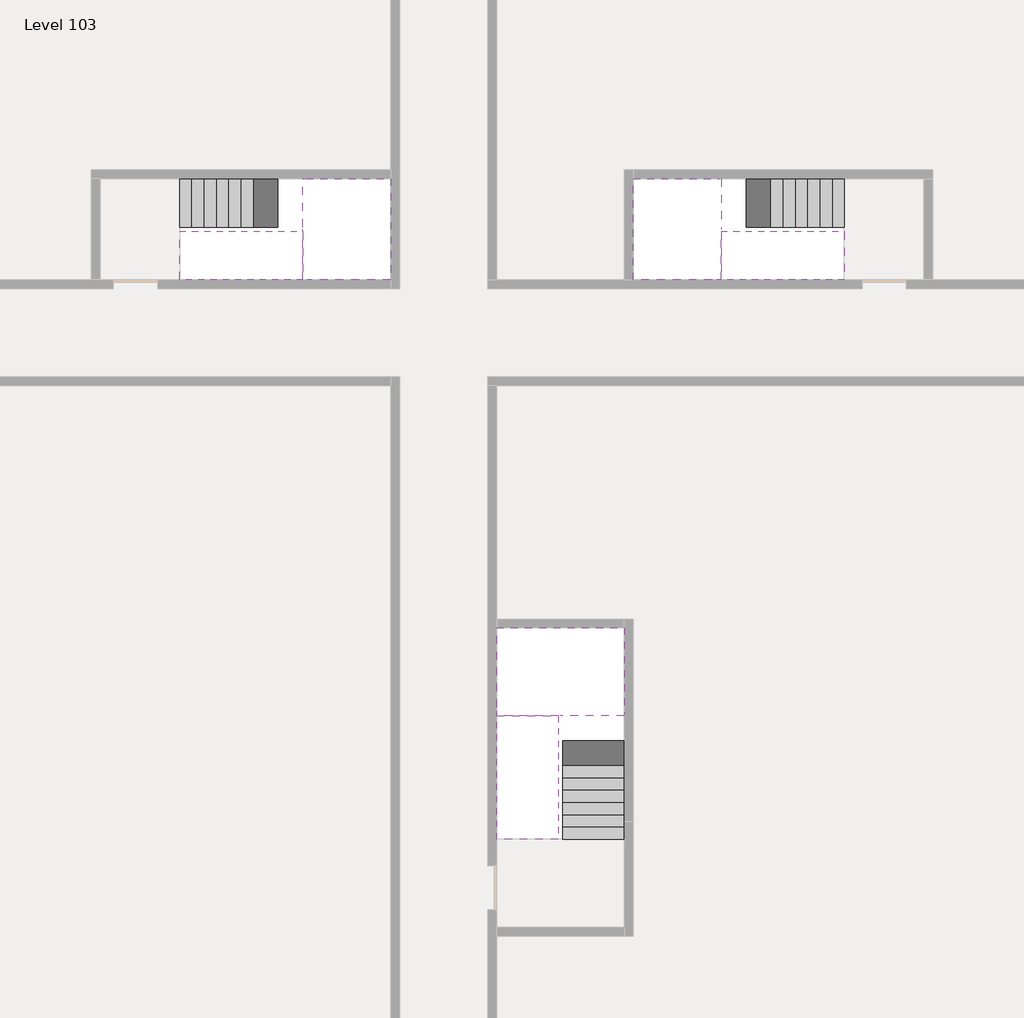
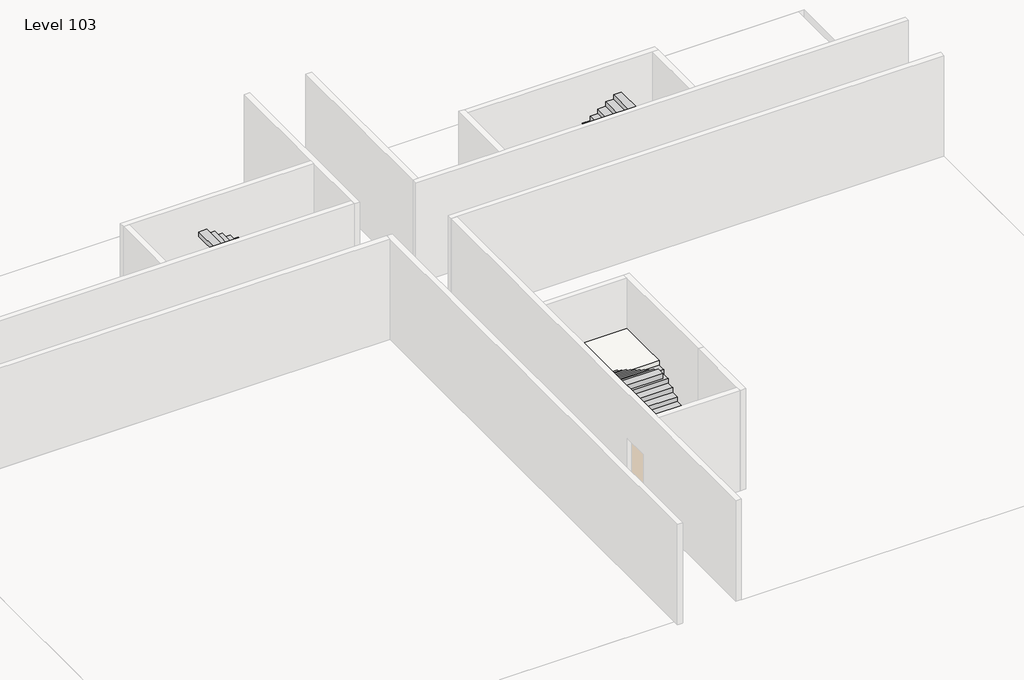
# One storey, part 2 of 2: 6 stair flights, 3 slabs.
"""IFC4 building model written with IfcOpenShell, lengths in millimetres."""

import ifcopenshell
import ifcopenshell.guid

model = None  # the IFC model being written
_history = None  # IfcOwnerHistory: only IFC2X3 demands one
_inside = {}  # id of a spatial element -> (the spatial element, [elements in it])
_under = {}  # id of a project, library or spatial element -> (it, [spatial elements below it])
_declared = {}  # id of a project -> (the project, [libraries it declares])
_typed = {}  # id of a type object -> (the type object, [elements of that type])
_made_of = {}  # id of a material, layer set ... -> (it, [elements and type objects made of it])


def new_model(schema):
    """Start an empty IFC model of exactly this schema.

    Asked for "IFC4X3", IfcOpenShell would pick the latest addendum, in which some entities
    have other attributes; the version numbers below select the first issue.
    IFC2X3 requires an IfcOwnerHistory on every rooted entity: one is made here for all.
    """
    global model, _history
    if schema == "IFC4X3":
        model = ifcopenshell.file(schema_version=(4, 3, 0, 0))
    else:
        model = ifcopenshell.file(schema=schema)
    _inside.clear()
    _under.clear()
    _declared.clear()
    _typed.clear()
    _made_of.clear()
    _history = None
    if model.schema == "IFC2X3":
        org = make("IfcOrganization", Name="unknown")
        user = make(
            "IfcPersonAndOrganization",
            ThePerson=make("IfcPerson", FamilyName="unknown"),
            TheOrganization=org,
        )
        app = make(
            "IfcApplication",
            ApplicationDeveloper=org,
            Version="unknown",
            ApplicationFullName="unknown",
            ApplicationIdentifier="unknown",
        )
        _history = make(
            "IfcOwnerHistory",
            OwningUser=user,
            OwningApplication=app,
            ChangeAction="ADDED",
            CreationDate=0,
        )
    return model


def make(cls, **values):
    """One entity of the class cls with the attributes given. An attribute that is None is left unset."""
    return model.create_entity(
        cls, **{name: value for name, value in values.items() if value is not None}
    )


def rooted(cls, **values):
    """An entity with a GlobalId (a new one), such as an element, a storey or a relation."""
    return make(cls, GlobalId=ifcopenshell.guid.new(), OwnerHistory=_history, **values)


def si_unit(unit_type, name, prefix=None):
    """IfcSIUnit, for example si_unit("LENGTHUNIT", "METRE", prefix="MILLI")."""
    return make("IfcSIUnit", UnitType=unit_type, Prefix=prefix, Name=name)


def assignment(units):
    """IfcUnitAssignment: the units of a project."""
    return None if units is None else make("IfcUnitAssignment", Units=units)


def point(xyz):
    """IfcCartesianPoint."""
    return None if xyz is None else make("IfcCartesianPoint", Coordinates=xyz)


def direction(xyz):
    """IfcDirection."""
    return None if xyz is None else make("IfcDirection", DirectionRatios=xyz)


def frame(location, z_axis=None, x_axis=None):
    """IfcAxis2Placement3D, a coordinate frame: its origin and axes. An axis left out is left unset."""
    return make(
        "IfcAxis2Placement3D",
        Location=point(location),
        Axis=direction(z_axis),
        RefDirection=direction(x_axis),
    )


def origin():
    """The frame at (0, 0, 0) with its axes left unset."""
    return frame((0.0, 0.0, 0.0))


def place(relative_to, where):
    """IfcLocalPlacement: puts the frame where relative to a parent placement (None: the world)."""
    return make(
        "IfcLocalPlacement", PlacementRelTo=relative_to, RelativePlacement=where
    )


def context(
    kind, dimensions, precision=None, world=None, true_north=None, identifier=None
):
    """IfcGeometricRepresentationContext, for example the 3D "Model" context."""
    return make(
        "IfcGeometricRepresentationContext",
        ContextIdentifier=identifier,
        ContextType=kind,
        CoordinateSpaceDimension=dimensions,
        Precision=precision,
        WorldCoordinateSystem=world,
        TrueNorth=true_north,
    )


def project(units=None, contexts=None):
    """IfcProject with its units and contexts."""
    return rooted(
        "IfcProject",
        Name="project",
        RepresentationContexts=contexts,
        UnitsInContext=assignment(units),
    )


def spatial(cls, under=None, at=None, **own):
    """A site, building, storey or space (cls), placed at a placement, below another one or the project."""
    s = rooted(cls, ObjectPlacement=at, **own)
    if under is not None:
        _under.setdefault(under.id(), (under, []))[1].append(s)
    return s


def faces_of(points, faces, orient=None, outer=None):
    """IfcFace entities. A face is a list of loops; a loop is a list of indices into points, from 0.

    orient and outer hold one flag for each loop. By default every Orientation is true, the
    first loop of a face is its IfcFaceOuterBound and the others are IfcFaceBound.
    """
    made = []
    for i, loops in enumerate(faces):
        bounds = []
        for j, loop in enumerate(loops):
            is_outer = j == 0 if outer is None else outer[i][j]
            bounds.append(
                make(
                    "IfcFaceOuterBound" if is_outer else "IfcFaceBound",
                    Bound=make("IfcPolyLoop", Polygon=[points[k] for k in loop]),
                    Orientation=True if orient is None else orient[i][j],
                )
            )
        made.append(make("IfcFace", Bounds=bounds))
    return made


def faceted_brep(points, faces, orient=None, outer=None, voids=None):
    """IfcFacetedBrep: a solid bounded by flat faces; with voids (closed shells), ...WithVoids."""
    shared = [point(p) for p in points]
    hull = make("IfcClosedShell", CfsFaces=faces_of(shared, faces, orient, outer))
    if voids is None:
        return make("IfcFacetedBrep", Outer=hull)
    return make(
        "IfcFacetedBrepWithVoids",
        Outer=hull,
        Voids=[
            make(cls, CfsFaces=faces_of(shared, fs, o, b)) for cls, fs, o, b in voids
        ],
    )


def shape(context_of_items, identifier, shape_type, items):
    """IfcShapeRepresentation: the items that make up one representation, for example the "Body"."""
    return make(
        "IfcShapeRepresentation",
        ContextOfItems=context_of_items,
        RepresentationIdentifier=identifier,
        RepresentationType=shape_type,
        Items=items,
    )


def made_of(thing, what):
    """Note that an element or type object is made of a material, layer set ...; save() writes the relation."""
    if what is not None:
        _made_of.setdefault(what.id(), (what, []))[1].append(thing)
    return thing


def element(
    cls,
    number,
    at=None,
    inside=None,
    cuts=None,
    type_object=None,
    material=None,
    context=None,
    identifier="Body",
    shape_type=None,
    held_by="IfcProductDefinitionShape",
    body=None,
    shapes=None,
    **own,
):
    """One element of the class cls, such as IfcWall. Its Tag is "e" and its number.

    at: its placement. inside: the storey or other place that contains it. cuts: it is an
    opening in that element (IfcRelVoidsElement). A single representation is given by context,
    identifier, shape_type and body (its items); several are given by shapes. held_by: the class
    of the entity that holds the representations. save() writes the other relations.
    """
    e = rooted(cls, Tag="e%d" % number, ObjectPlacement=at, **own)
    if body is not None:
        shapes = [shape(context, identifier, shape_type, body)]
    if shapes is not None:
        e.Representation = make(held_by, Representations=shapes)
    if inside is not None:
        _inside.setdefault(inside.id(), (inside, []))[1].append(e)
    if cuts is not None:
        rooted(
            "IfcRelVoidsElement", RelatingBuildingElement=cuts, RelatedOpeningElement=e
        )
    if type_object is not None:
        _typed.setdefault(type_object.id(), (type_object, []))[1].append(e)
    return made_of(e, material)


def aggregate(whole, parts):
    """IfcRelAggregates: a whole, such as a stair, and the parts it consists of."""
    return rooted("IfcRelAggregates", RelatingObject=whole, RelatedObjects=parts)


def save(model, path):
    """Write the relations noted so far, then the file.

    IfcRelAggregates (storeys below a building ...), IfcRelContainedInSpatialStructure (elements
    in a storey), IfcRelDefinesByType, IfcRelAssociatesMaterial and IfcRelDeclares: one each for
    every whole, place, type object, material and project.
    """
    for whole, parts in _under.values():
        aggregate(whole, parts)
    for where, things in _inside.values():
        rooted(
            "IfcRelContainedInSpatialStructure",
            RelatedElements=things,
            RelatingStructure=where,
        )
    for kind, things in _typed.values():
        rooted("IfcRelDefinesByType", RelatedObjects=things, RelatingType=kind)
    for what, things in _made_of.values():
        rooted("IfcRelAssociatesMaterial", RelatedObjects=things, RelatingMaterial=what)
    for by, libraries in _declared.values():
        rooted("IfcRelDeclares", RelatingContext=by, RelatedDefinitions=libraries)
    model.write(path)


model = new_model("IFC4")

# Units and contexts
model_context = context("Model", 3, world=origin())
ifc_project = project(units=[si_unit("LENGTHUNIT", "METRE", prefix="MILLI")], contexts=[model_context])

# Site, building, storey
site = spatial("IfcSite", under=ifc_project)
building = spatial("IfcBuilding", under=site)
storey = spatial("IfcBuildingStorey", under=building, Name="Level 103", Elevation=387600.0)

# Slabs
placement = place(None, origin())
element("IfcSlab", 1, at=placement, inside=storey, context=model_context, shape_type="Brep", body=[
    faceted_brep([(26890.1058784, -40418.09644, 389500.0), (28290.1058784, -40418.09644, 389500.0), (28290.1058784, -40338.7100038, 389500.0), (28290.1058784, -38418.09644, 389500.0), (25390.1058784, -38418.09644, 389500.0), (25390.1058784, -40217.4828763, 389500.0), (25390.1058784, -40418.09644, 389500.0), (26790.1058784, -40418.09644, 389500.0), (26890.1058784, -40418.09644, 389200.0), (26890.1058784, -40418.09644, 389151.0278478), (28290.1058784, -40418.09644, 389151.0278478), (28290.1058784, -40418.09644, 389327.2727273), (28290.1058784, -40338.7100038, 389200.0), (28290.1058784, -38418.09644, 389200.0), (25390.1058784, -38418.09644, 389200.0), (25390.1058784, -40217.4828763, 389200.0), (25390.1058784, -40418.09644, 389323.7551205), (26790.1058784, -40418.09644, 389323.7551205), (26790.1058784, -40418.09644, 389200.0), (26790.1058784, -40217.4828763, 389200.0), (26890.1058784, -40338.7100038, 389200.0)], [[[0, 1, 2, 3, 4, 5, 6, 7]], [[1, 0, 8, 9, 10, 11]], [[1, 11, 10, 12, 13, 3, 2]], [[4, 3, 13, 14]], [[4, 14, 15, 16, 6, 5]], [[7, 6, 16, 17]], [[0, 7, 17, 18, 8]], [[18, 19, 15, 14, 13, 12, 20, 8]], [[19, 18, 17]], [[20, 12, 10, 9]], [[8, 20, 9]], [[15, 19, 17, 16]]]),
])
element("IfcSlab", 2, at=placement, inside=storey, context=model_context, shape_type="Brep", body=[
    faceted_brep([(20990.1058784, -28218.09644, 389500.0), (20990.1058784, -29318.09644, 389500.0), (20990.1058784, -29418.09644, 389500.0), (20990.1058784, -30518.09644, 389500.0), (21190.7194421, -30518.09644, 389500.0), (22990.1058784, -30518.09644, 389500.0), (22990.1058784, -28218.09644, 389500.0), (21069.4923146, -28218.09644, 389500.0), (20990.1058784, -28218.09644, 389327.2727273), (20990.1058784, -28218.09644, 389151.0278478), (20990.1058784, -29318.09644, 389151.0278478), (20990.1058784, -29318.09644, 389200.0), (20990.1058784, -29418.09644, 389200.0), (20990.1058784, -29418.09644, 389323.7551205), (20990.1058784, -30518.09644, 389323.7551205), (21190.7194421, -30518.09644, 389200.0), (22990.1058784, -30518.09644, 389200.0), (22990.1058784, -28218.09644, 389200.0), (21069.4923146, -28218.09644, 389200.0), (21190.7194421, -29418.09644, 389200.0), (21069.4923146, -29318.09644, 389200.0)], [[[0, 1, 2, 3, 4, 5, 6, 7]], [[1, 0, 8, 9, 10, 11]], [[2, 1, 11, 12, 13]], [[3, 2, 13, 14]], [[3, 14, 15, 16, 5, 4]], [[6, 5, 16, 17]], [[9, 8, 0, 7, 6, 17, 18]], [[19, 12, 11, 20, 18, 17, 16, 15]], [[12, 19, 13]], [[18, 20, 10, 9]], [[20, 11, 10]], [[19, 15, 14, 13]]]),
])
element("IfcSlab", 3, at=placement, inside=storey, context=model_context, shape_type="Brep", body=[
    faceted_brep([(30490.1058784, -29318.09644, 389500.0), (30490.1058784, -28218.09644, 389500.0), (30410.7194421, -28218.09644, 389500.0), (28490.1058784, -28218.09644, 389500.0), (28490.1058784, -30518.09644, 389500.0), (30289.4923146, -30518.09644, 389500.0), (30490.1058784, -30518.09644, 389500.0), (30490.1058784, -29418.09644, 389500.0), (30490.1058784, -29318.09644, 389200.0), (30490.1058784, -29318.09644, 389151.0278478), (30490.1058784, -28218.09644, 389151.0278478), (30490.1058784, -28218.09644, 389327.2727273), (30490.1058784, -29418.09644, 389323.7551205), (30490.1058784, -29418.09644, 389200.0), (30490.1058784, -30518.09644, 389323.7551205), (28490.1058784, -30518.09644, 389200.0), (30289.4923146, -30518.09644, 389200.0), (28490.1058784, -28218.09644, 389200.0), (30410.7194421, -28218.09644, 389200.0), (30289.4923146, -29418.09644, 389200.0), (30410.7194421, -29318.09644, 389200.0)], [[[0, 1, 2, 3, 4, 5, 6, 7]], [[1, 0, 8, 9, 10, 11]], [[0, 7, 12, 13, 8]], [[7, 6, 14, 12]], [[4, 15, 16, 14, 6, 5]], [[4, 3, 17, 15]], [[1, 11, 10, 18, 17, 3, 2]], [[13, 19, 16, 15, 17, 18, 20, 8]], [[20, 18, 10, 9]], [[8, 20, 9]], [[16, 19, 12, 14]], [[19, 13, 12]]]),
])

# Stair flights
element("IfcStairFlight", 4, at=placement, inside=storey, context=model_context, shape_type="Brep", body=[
    faceted_brep([(26890.1058784, -42938.09644, 387772.7272727), (26890.1058784, -43218.09644, 387772.7272727), (28290.1058784, -43218.09644, 387772.7272727), (28290.1058784, -42938.09644, 387772.7272727), (26890.1058784, -42938.09644, 387600.0), (26890.1058784, -43218.09644, 387600.0), (28290.1058784, -43218.09644, 387600.0), (28290.1058784, -42938.09644, 387600.0), (26890.1058784, -42658.09644, 387945.4545455), (26890.1058784, -42938.09644, 387945.4545455), (28290.1058784, -42938.09644, 387945.4545455), (28290.1058784, -42658.09644, 387945.4545455), (26890.1058784, -42658.09644, 387769.209666), (26890.1058784, -42932.3942143, 387600.0), (28290.1058784, -42932.3942143, 387600.0), (28290.1058784, -42658.09644, 387769.209666), (26890.1058784, -42378.09644, 388118.1818182), (26890.1058784, -42658.09644, 388118.1818182), (28290.1058784, -42658.09644, 388118.1818182), (28290.1058784, -42378.09644, 388118.1818182), (26890.1058784, -42378.09644, 387941.9369387), (28290.1058784, -42378.09644, 387941.9369387), (26890.1058784, -42098.09644, 388290.9090909), (26890.1058784, -42378.09644, 388290.9090909), (28290.1058784, -42378.09644, 388290.9090909), (28290.1058784, -42098.09644, 388290.9090909), (26890.1058784, -42098.09644, 388114.6642114), (28290.1058784, -42098.09644, 388114.6642114), (26890.1058784, -41818.09644, 388463.6363636), (26890.1058784, -42098.09644, 388463.6363636), (28290.1058784, -42098.09644, 388463.6363636), (28290.1058784, -41818.09644, 388463.6363636), (26890.1058784, -41818.09644, 388287.3914841), (28290.1058784, -41818.09644, 388287.3914841), (26890.1058784, -41538.09644, 388636.3636364), (26890.1058784, -41818.09644, 388636.3636364), (28290.1058784, -41818.09644, 388636.3636364), (28290.1058784, -41538.09644, 388636.3636364), (26890.1058784, -41538.09644, 388460.1187569), (28290.1058784, -41538.09644, 388460.1187569), (26890.1058784, -41258.09644, 388809.0909091), (26890.1058784, -41538.09644, 388809.0909091), (28290.1058784, -41538.09644, 388809.0909091), (28290.1058784, -41258.09644, 388809.0909091), (26890.1058784, -41258.09644, 388632.8460296), (28290.1058784, -41258.09644, 388632.8460296), (26890.1058784, -40978.09644, 388981.8181818), (26890.1058784, -41258.09644, 388981.8181818), (28290.1058784, -41258.09644, 388981.8181818), (28290.1058784, -40978.09644, 388981.8181818), (26890.1058784, -40978.09644, 388805.5733023), (28290.1058784, -40978.09644, 388805.5733023), (26890.1058784, -40698.09644, 389154.5454545), (26890.1058784, -40978.09644, 389154.5454545), (28290.1058784, -40978.09644, 389154.5454545), (28290.1058784, -40698.09644, 389154.5454545), (26890.1058784, -40698.09644, 388978.3005751), (28290.1058784, -40698.09644, 388978.3005751), (26890.1058784, -40418.09644, 389327.2727273), (26890.1058784, -40698.09644, 389327.2727273), (28290.1058784, -40698.09644, 389327.2727273), (28290.1058784, -40418.09644, 389327.2727273), (26890.1058784, -40418.09644, 389200.0), (26890.1058784, -40418.09644, 389151.0278478), (28290.1058784, -40418.09644, 389151.0278478)], [[[0, 1, 2, 3]], [[1, 0, 4, 5]], [[2, 1, 5, 6]], [[3, 2, 6, 7]], [[8, 9, 10, 11]], [[4, 0, 9, 8, 12, 13]], [[0, 3, 10, 9]], [[3, 7, 14, 15, 11, 10]], [[16, 17, 18, 19]], [[17, 16, 20, 12, 8]], [[8, 11, 18, 17]], [[19, 18, 11, 15, 21]], [[22, 23, 24, 25]], [[23, 22, 26, 20, 16]], [[16, 19, 24, 23]], [[25, 24, 19, 21, 27]], [[28, 29, 30, 31]], [[29, 28, 32, 26, 22]], [[22, 25, 30, 29]], [[31, 30, 25, 27, 33]], [[34, 35, 36, 37]], [[35, 34, 38, 32, 28]], [[28, 31, 36, 35]], [[37, 36, 31, 33, 39]], [[40, 41, 42, 43]], [[41, 40, 44, 38, 34]], [[34, 37, 42, 41]], [[43, 42, 37, 39, 45]], [[46, 47, 48, 49]], [[47, 46, 50, 44, 40]], [[40, 43, 48, 47]], [[49, 48, 43, 45, 51]], [[52, 53, 54, 55]], [[53, 52, 56, 50, 46]], [[46, 49, 54, 53]], [[55, 54, 49, 51, 57]], [[58, 59, 60, 61]], [[59, 58, 62, 63, 56, 52]], [[52, 55, 60, 59]], [[61, 60, 55, 57, 64]], [[58, 61, 64, 63, 62]], [[5, 4, 13, 14, 7, 6]], [[14, 13, 12, 20, 26, 32, 38, 44, 50, 56, 63, 64, 57, 51, 45, 39, 33, 27, 21, 15]]]),
])
element("IfcStairFlight", 5, at=placement, inside=storey, context=model_context, shape_type="Brep", body=[
    faceted_brep([(26790.1058784, -40698.09644, 389672.7272727), (26790.1058784, -40418.09644, 389672.7272727), (25390.1058784, -40418.09644, 389672.7272727), (25390.1058784, -40698.09644, 389672.7272727), (26790.1058784, -40698.09644, 389496.4823932), (26790.1058784, -40418.09644, 389323.7551205), (25390.1058784, -40418.09644, 389323.7551205), (25390.1058784, -40418.09644, 389500.0), (25390.1058784, -40698.09644, 389496.4823932), (26790.1058784, -40978.09644, 389845.4545455), (26790.1058784, -40698.09644, 389845.4545455), (25390.1058784, -40698.09644, 389845.4545455), (25390.1058784, -40978.09644, 389845.4545455), (26790.1058784, -40978.09644, 389669.209666), (25390.1058784, -40978.09644, 389669.209666), (26790.1058784, -41258.09644, 390018.1818182), (26790.1058784, -40978.09644, 390018.1818182), (25390.1058784, -40978.09644, 390018.1818182), (25390.1058784, -41258.09644, 390018.1818182), (26790.1058784, -41258.09644, 389841.9369387), (25390.1058784, -41258.09644, 389841.9369387), (26790.1058784, -41538.09644, 390190.9090909), (26790.1058784, -41258.09644, 390190.9090909), (25390.1058784, -41258.09644, 390190.9090909), (25390.1058784, -41538.09644, 390190.9090909), (26790.1058784, -41538.09644, 390014.6642114), (25390.1058784, -41538.09644, 390014.6642114), (26790.1058784, -41818.09644, 390363.6363636), (26790.1058784, -41538.09644, 390363.6363636), (25390.1058784, -41538.09644, 390363.6363636), (25390.1058784, -41818.09644, 390363.6363636), (26790.1058784, -41818.09644, 390187.3914841), (25390.1058784, -41818.09644, 390187.3914841), (26790.1058784, -42098.09644, 390536.3636364), (26790.1058784, -41818.09644, 390536.3636364), (25390.1058784, -41818.09644, 390536.3636364), (25390.1058784, -42098.09644, 390536.3636364), (26790.1058784, -42098.09644, 390360.1187569), (25390.1058784, -42098.09644, 390360.1187569), (26790.1058784, -42378.09644, 390709.0909091), (26790.1058784, -42098.09644, 390709.0909091), (25390.1058784, -42098.09644, 390709.0909091), (25390.1058784, -42378.09644, 390709.0909091), (26790.1058784, -42378.09644, 390532.8460296), (25390.1058784, -42378.09644, 390532.8460296), (26790.1058784, -42658.09644, 390881.8181818), (26790.1058784, -42378.09644, 390881.8181818), (25390.1058784, -42378.09644, 390881.8181818), (25390.1058784, -42658.09644, 390881.8181818), (26790.1058784, -42658.09644, 390705.5733023), (25390.1058784, -42658.09644, 390705.5733023), (26790.1058784, -42938.09644, 391054.5454545), (26790.1058784, -42658.09644, 391054.5454545), (25390.1058784, -42658.09644, 391054.5454545), (25390.1058784, -42938.09644, 391054.5454545), (26790.1058784, -42938.09644, 390878.3005751), (25390.1058784, -42938.09644, 390878.3005751), (26790.1058784, -43218.09644, 391227.2727273), (26790.1058784, -42938.09644, 391227.2727273), (25390.1058784, -42938.09644, 391227.2727273), (25390.1058784, -43218.09644, 391227.2727273), (26790.1058784, -43218.09644, 391051.0278478), (25390.1058784, -43218.09644, 391051.0278478)], [[[0, 1, 2, 3]], [[1, 0, 4, 5]], [[2, 1, 5, 6, 7]], [[3, 2, 7, 6, 8]], [[9, 10, 11, 12]], [[10, 9, 13, 4, 0]], [[11, 10, 0, 3]], [[12, 11, 3, 8, 14]], [[15, 16, 17, 18]], [[16, 15, 19, 13, 9]], [[17, 16, 9, 12]], [[18, 17, 12, 14, 20]], [[21, 22, 23, 24]], [[22, 21, 25, 19, 15]], [[23, 22, 15, 18]], [[24, 23, 18, 20, 26]], [[27, 28, 29, 30]], [[28, 27, 31, 25, 21]], [[29, 28, 21, 24]], [[30, 29, 24, 26, 32]], [[33, 34, 35, 36]], [[34, 33, 37, 31, 27]], [[35, 34, 27, 30]], [[36, 35, 30, 32, 38]], [[39, 40, 41, 42]], [[40, 39, 43, 37, 33]], [[41, 40, 33, 36]], [[42, 41, 36, 38, 44]], [[45, 46, 47, 48]], [[46, 45, 49, 43, 39]], [[47, 46, 39, 42]], [[48, 47, 42, 44, 50]], [[51, 52, 53, 54]], [[52, 51, 55, 49, 45]], [[53, 52, 45, 48]], [[54, 53, 48, 50, 56]], [[57, 58, 59, 60]], [[58, 57, 61, 55, 51]], [[59, 58, 51, 54]], [[60, 59, 54, 56, 62]], [[57, 60, 62, 61]], [[5, 4, 13, 19, 25, 31, 37, 43, 49, 55, 61, 62, 56, 50, 44, 38, 32, 26, 20, 14, 8, 6]]]),
])
element("IfcStairFlight", 6, at=placement, inside=storey, context=model_context, shape_type="Brep", body=[
    faceted_brep([(18470.1058784, -28218.09644, 387772.7272727), (18190.1058784, -28218.09644, 387772.7272727), (18190.1058784, -29318.09644, 387772.7272727), (18470.1058784, -29318.09644, 387772.7272727), (18470.1058784, -28218.09644, 387600.0), (18190.1058784, -28218.09644, 387600.0), (18190.1058784, -29318.09644, 387600.0), (18470.1058784, -29318.09644, 387600.0), (18750.1058784, -28218.09644, 387945.4545455), (18470.1058784, -28218.09644, 387945.4545455), (18470.1058784, -29318.09644, 387945.4545455), (18750.1058784, -29318.09644, 387945.4545455), (18750.1058784, -28218.09644, 387769.209666), (18475.8081041, -28218.09644, 387600.0), (18475.8081041, -29318.09644, 387600.0), (18750.1058784, -29318.09644, 387769.209666), (19030.1058784, -28218.09644, 388118.1818182), (18750.1058784, -28218.09644, 388118.1818182), (18750.1058784, -29318.09644, 388118.1818182), (19030.1058784, -29318.09644, 388118.1818182), (19030.1058784, -28218.09644, 387941.9369387), (19030.1058784, -29318.09644, 387941.9369387), (19310.1058784, -28218.09644, 388290.9090909), (19030.1058784, -28218.09644, 388290.9090909), (19030.1058784, -29318.09644, 388290.9090909), (19310.1058784, -29318.09644, 388290.9090909), (19310.1058784, -28218.09644, 388114.6642114), (19310.1058784, -29318.09644, 388114.6642114), (19590.1058784, -28218.09644, 388463.6363636), (19310.1058784, -28218.09644, 388463.6363636), (19310.1058784, -29318.09644, 388463.6363636), (19590.1058784, -29318.09644, 388463.6363636), (19590.1058784, -28218.09644, 388287.3914841), (19590.1058784, -29318.09644, 388287.3914841), (19870.1058784, -28218.09644, 388636.3636364), (19590.1058784, -28218.09644, 388636.3636364), (19590.1058784, -29318.09644, 388636.3636364), (19870.1058784, -29318.09644, 388636.3636364), (19870.1058784, -28218.09644, 388460.1187569), (19870.1058784, -29318.09644, 388460.1187569), (20150.1058784, -28218.09644, 388809.0909091), (19870.1058784, -28218.09644, 388809.0909091), (19870.1058784, -29318.09644, 388809.0909091), (20150.1058784, -29318.09644, 388809.0909091), (20150.1058784, -28218.09644, 388632.8460296), (20150.1058784, -29318.09644, 388632.8460296), (20430.1058784, -28218.09644, 388981.8181818), (20150.1058784, -28218.09644, 388981.8181818), (20150.1058784, -29318.09644, 388981.8181818), (20430.1058784, -29318.09644, 388981.8181818), (20430.1058784, -28218.09644, 388805.5733023), (20430.1058784, -29318.09644, 388805.5733023), (20710.1058784, -28218.09644, 389154.5454545), (20430.1058784, -28218.09644, 389154.5454545), (20430.1058784, -29318.09644, 389154.5454545), (20710.1058784, -29318.09644, 389154.5454545), (20710.1058784, -28218.09644, 388978.3005751), (20710.1058784, -29318.09644, 388978.3005751), (20990.1058784, -28218.09644, 389327.2727273), (20710.1058784, -28218.09644, 389327.2727273), (20710.1058784, -29318.09644, 389327.2727273), (20990.1058784, -29318.09644, 389327.2727273), (20990.1058784, -28218.09644, 389151.0278478), (20990.1058784, -29318.09644, 389151.0278478), (20990.1058784, -29318.09644, 389200.0)], [[[0, 1, 2, 3]], [[1, 0, 4, 5]], [[2, 1, 5, 6]], [[3, 2, 6, 7]], [[8, 9, 10, 11]], [[4, 0, 9, 8, 12, 13]], [[0, 3, 10, 9]], [[3, 7, 14, 15, 11, 10]], [[16, 17, 18, 19]], [[17, 16, 20, 12, 8]], [[8, 11, 18, 17]], [[19, 18, 11, 15, 21]], [[22, 23, 24, 25]], [[23, 22, 26, 20, 16]], [[16, 19, 24, 23]], [[25, 24, 19, 21, 27]], [[28, 29, 30, 31]], [[29, 28, 32, 26, 22]], [[22, 25, 30, 29]], [[31, 30, 25, 27, 33]], [[34, 35, 36, 37]], [[35, 34, 38, 32, 28]], [[28, 31, 36, 35]], [[37, 36, 31, 33, 39]], [[40, 41, 42, 43]], [[41, 40, 44, 38, 34]], [[34, 37, 42, 41]], [[43, 42, 37, 39, 45]], [[46, 47, 48, 49]], [[47, 46, 50, 44, 40]], [[40, 43, 48, 47]], [[49, 48, 43, 45, 51]], [[52, 53, 54, 55]], [[53, 52, 56, 50, 46]], [[46, 49, 54, 53]], [[55, 54, 49, 51, 57]], [[58, 59, 60, 61]], [[59, 58, 62, 56, 52]], [[52, 55, 60, 59]], [[61, 60, 55, 57, 63, 64]], [[58, 61, 64, 63, 62]], [[5, 4, 13, 14, 7, 6]], [[14, 13, 12, 20, 26, 32, 38, 44, 50, 56, 62, 63, 57, 51, 45, 39, 33, 27, 21, 15]]]),
])
element("IfcStairFlight", 7, at=placement, inside=storey, context=model_context, shape_type="Brep", body=[
    faceted_brep([(20710.1058784, -30518.09644, 389672.7272727), (20990.1058784, -30518.09644, 389672.7272727), (20990.1058784, -29418.09644, 389672.7272727), (20710.1058784, -29418.09644, 389672.7272727), (20710.1058784, -30518.09644, 389496.4823932), (20990.1058784, -30518.09644, 389323.7551205), (20990.1058784, -30518.09644, 389500.0), (20990.1058784, -29418.09644, 389323.7551205), (20710.1058784, -29418.09644, 389496.4823932), (20430.1058784, -30518.09644, 389845.4545455), (20710.1058784, -30518.09644, 389845.4545455), (20710.1058784, -29418.09644, 389845.4545455), (20430.1058784, -29418.09644, 389845.4545455), (20430.1058784, -30518.09644, 389669.209666), (20430.1058784, -29418.09644, 389669.209666), (20150.1058784, -30518.09644, 390018.1818182), (20430.1058784, -30518.09644, 390018.1818182), (20430.1058784, -29418.09644, 390018.1818182), (20150.1058784, -29418.09644, 390018.1818182), (20150.1058784, -30518.09644, 389841.9369387), (20150.1058784, -29418.09644, 389841.9369387), (19870.1058784, -30518.09644, 390190.9090909), (20150.1058784, -30518.09644, 390190.9090909), (20150.1058784, -29418.09644, 390190.9090909), (19870.1058784, -29418.09644, 390190.9090909), (19870.1058784, -30518.09644, 390014.6642114), (19870.1058784, -29418.09644, 390014.6642114), (19590.1058784, -30518.09644, 390363.6363636), (19870.1058784, -30518.09644, 390363.6363636), (19870.1058784, -29418.09644, 390363.6363636), (19590.1058784, -29418.09644, 390363.6363636), (19590.1058784, -30518.09644, 390187.3914841), (19590.1058784, -29418.09644, 390187.3914841), (19310.1058784, -30518.09644, 390536.3636364), (19590.1058784, -30518.09644, 390536.3636364), (19590.1058784, -29418.09644, 390536.3636364), (19310.1058784, -29418.09644, 390536.3636364), (19310.1058784, -30518.09644, 390360.1187569), (19310.1058784, -29418.09644, 390360.1187569), (19030.1058784, -30518.09644, 390709.0909091), (19310.1058784, -30518.09644, 390709.0909091), (19310.1058784, -29418.09644, 390709.0909091), (19030.1058784, -29418.09644, 390709.0909091), (19030.1058784, -30518.09644, 390532.8460296), (19030.1058784, -29418.09644, 390532.8460296), (18750.1058784, -30518.09644, 390881.8181818), (19030.1058784, -30518.09644, 390881.8181818), (19030.1058784, -29418.09644, 390881.8181818), (18750.1058784, -29418.09644, 390881.8181818), (18750.1058784, -30518.09644, 390705.5733023), (18750.1058784, -29418.09644, 390705.5733023), (18470.1058784, -30518.09644, 391054.5454545), (18750.1058784, -30518.09644, 391054.5454545), (18750.1058784, -29418.09644, 391054.5454545), (18470.1058784, -29418.09644, 391054.5454545), (18470.1058784, -30518.09644, 390878.3005751), (18470.1058784, -29418.09644, 390878.3005751), (18190.1058784, -30518.09644, 391227.2727273), (18470.1058784, -30518.09644, 391227.2727273), (18470.1058784, -29418.09644, 391227.2727273), (18190.1058784, -29418.09644, 391227.2727273), (18190.1058784, -30518.09644, 391051.0278478), (18190.1058784, -29418.09644, 391051.0278478)], [[[0, 1, 2, 3]], [[1, 0, 4, 5, 6]], [[2, 1, 6, 5, 7]], [[3, 2, 7, 8]], [[9, 10, 11, 12]], [[10, 9, 13, 4, 0]], [[11, 10, 0, 3]], [[12, 11, 3, 8, 14]], [[15, 16, 17, 18]], [[16, 15, 19, 13, 9]], [[17, 16, 9, 12]], [[18, 17, 12, 14, 20]], [[21, 22, 23, 24]], [[22, 21, 25, 19, 15]], [[23, 22, 15, 18]], [[24, 23, 18, 20, 26]], [[27, 28, 29, 30]], [[28, 27, 31, 25, 21]], [[29, 28, 21, 24]], [[30, 29, 24, 26, 32]], [[33, 34, 35, 36]], [[34, 33, 37, 31, 27]], [[35, 34, 27, 30]], [[36, 35, 30, 32, 38]], [[39, 40, 41, 42]], [[40, 39, 43, 37, 33]], [[41, 40, 33, 36]], [[42, 41, 36, 38, 44]], [[45, 46, 47, 48]], [[46, 45, 49, 43, 39]], [[47, 46, 39, 42]], [[48, 47, 42, 44, 50]], [[51, 52, 53, 54]], [[52, 51, 55, 49, 45]], [[53, 52, 45, 48]], [[54, 53, 48, 50, 56]], [[57, 58, 59, 60]], [[58, 57, 61, 55, 51]], [[59, 58, 51, 54]], [[60, 59, 54, 56, 62]], [[57, 60, 62, 61]], [[5, 4, 13, 19, 25, 31, 37, 43, 49, 55, 61, 62, 56, 50, 44, 38, 32, 26, 20, 14, 8, 7]]]),
])
element("IfcStairFlight", 8, at=placement, inside=storey, context=model_context, shape_type="Brep", body=[
    faceted_brep([(33010.1058784, -29318.09644, 387772.7272727), (33290.1058784, -29318.09644, 387772.7272727), (33290.1058784, -28218.09644, 387772.7272727), (33010.1058784, -28218.09644, 387772.7272727), (33290.1058784, -28218.09644, 387600.0), (33010.1058784, -28218.09644, 387600.0), (33290.1058784, -29318.09644, 387600.0), (33010.1058784, -29318.09644, 387600.0), (32730.1058784, -29318.09644, 387945.4545455), (33010.1058784, -29318.09644, 387945.4545455), (33010.1058784, -28218.09644, 387945.4545455), (32730.1058784, -28218.09644, 387945.4545455), (33004.4036527, -28218.09644, 387600.0), (32730.1058784, -28218.09644, 387769.209666), (32730.1058784, -29318.09644, 387769.209666), (33004.4036527, -29318.09644, 387600.0), (32450.1058784, -29318.09644, 388118.1818182), (32730.1058784, -29318.09644, 388118.1818182), (32730.1058784, -28218.09644, 388118.1818182), (32450.1058784, -28218.09644, 388118.1818182), (32450.1058784, -28218.09644, 387941.9369387), (32450.1058784, -29318.09644, 387941.9369387), (32170.1058784, -29318.09644, 388290.9090909), (32450.1058784, -29318.09644, 388290.9090909), (32450.1058784, -28218.09644, 388290.9090909), (32170.1058784, -28218.09644, 388290.9090909), (32170.1058784, -28218.09644, 388114.6642114), (32170.1058784, -29318.09644, 388114.6642114), (31890.1058784, -29318.09644, 388463.6363636), (32170.1058784, -29318.09644, 388463.6363636), (32170.1058784, -28218.09644, 388463.6363636), (31890.1058784, -28218.09644, 388463.6363636), (31890.1058784, -28218.09644, 388287.3914841), (31890.1058784, -29318.09644, 388287.3914841), (31610.1058784, -29318.09644, 388636.3636364), (31890.1058784, -29318.09644, 388636.3636364), (31890.1058784, -28218.09644, 388636.3636364), (31610.1058784, -28218.09644, 388636.3636364), (31610.1058784, -28218.09644, 388460.1187569), (31610.1058784, -29318.09644, 388460.1187569), (31330.1058784, -29318.09644, 388809.0909091), (31610.1058784, -29318.09644, 388809.0909091), (31610.1058784, -28218.09644, 388809.0909091), (31330.1058784, -28218.09644, 388809.0909091), (31330.1058784, -28218.09644, 388632.8460296), (31330.1058784, -29318.09644, 388632.8460296), (31050.1058784, -29318.09644, 388981.8181818), (31330.1058784, -29318.09644, 388981.8181818), (31330.1058784, -28218.09644, 388981.8181818), (31050.1058784, -28218.09644, 388981.8181818), (31050.1058784, -28218.09644, 388805.5733023), (31050.1058784, -29318.09644, 388805.5733023), (30770.1058784, -29318.09644, 389154.5454545), (31050.1058784, -29318.09644, 389154.5454545), (31050.1058784, -28218.09644, 389154.5454545), (30770.1058784, -28218.09644, 389154.5454545), (30770.1058784, -28218.09644, 388978.3005751), (30770.1058784, -29318.09644, 388978.3005751), (30490.1058784, -29318.09644, 389327.2727273), (30770.1058784, -29318.09644, 389327.2727273), (30770.1058784, -28218.09644, 389327.2727273), (30490.1058784, -28218.09644, 389327.2727273), (30490.1058784, -28218.09644, 389151.0278478), (30490.1058784, -29318.09644, 389200.0), (30490.1058784, -29318.09644, 389151.0278478)], [[[0, 1, 2, 3]], [[3, 2, 4, 5]], [[2, 1, 6, 4]], [[1, 0, 7, 6]], [[8, 9, 10, 11]], [[3, 5, 12, 13, 11, 10]], [[0, 3, 10, 9]], [[7, 0, 9, 8, 14, 15]], [[16, 17, 18, 19]], [[19, 18, 11, 13, 20]], [[8, 11, 18, 17]], [[17, 16, 21, 14, 8]], [[22, 23, 24, 25]], [[25, 24, 19, 20, 26]], [[16, 19, 24, 23]], [[23, 22, 27, 21, 16]], [[28, 29, 30, 31]], [[31, 30, 25, 26, 32]], [[22, 25, 30, 29]], [[29, 28, 33, 27, 22]], [[34, 35, 36, 37]], [[37, 36, 31, 32, 38]], [[28, 31, 36, 35]], [[35, 34, 39, 33, 28]], [[40, 41, 42, 43]], [[43, 42, 37, 38, 44]], [[34, 37, 42, 41]], [[41, 40, 45, 39, 34]], [[46, 47, 48, 49]], [[49, 48, 43, 44, 50]], [[40, 43, 48, 47]], [[47, 46, 51, 45, 40]], [[52, 53, 54, 55]], [[55, 54, 49, 50, 56]], [[46, 49, 54, 53]], [[53, 52, 57, 51, 46]], [[58, 59, 60, 61]], [[61, 60, 55, 56, 62]], [[52, 55, 60, 59]], [[59, 58, 63, 64, 57, 52]], [[58, 61, 62, 64, 63]], [[6, 7, 15, 12, 5, 4]], [[12, 15, 14, 21, 27, 33, 39, 45, 51, 57, 64, 62, 56, 50, 44, 38, 32, 26, 20, 13]]]),
])
element("IfcStairFlight", 9, at=placement, inside=storey, context=model_context, shape_type="Brep", body=[
    faceted_brep([(30770.1058784, -29418.09644, 389672.7272727), (30490.1058784, -29418.09644, 389672.7272727), (30490.1058784, -30518.09644, 389672.7272727), (30770.1058784, -30518.09644, 389672.7272727), (30490.1058784, -30518.09644, 389500.0), (30490.1058784, -30518.09644, 389323.7551205), (30770.1058784, -30518.09644, 389496.4823932), (30490.1058784, -29418.09644, 389323.7551205), (30770.1058784, -29418.09644, 389496.4823932), (31050.1058784, -29418.09644, 389845.4545455), (30770.1058784, -29418.09644, 389845.4545455), (30770.1058784, -30518.09644, 389845.4545455), (31050.1058784, -30518.09644, 389845.4545455), (31050.1058784, -30518.09644, 389669.209666), (31050.1058784, -29418.09644, 389669.209666), (31330.1058784, -29418.09644, 390018.1818182), (31050.1058784, -29418.09644, 390018.1818182), (31050.1058784, -30518.09644, 390018.1818182), (31330.1058784, -30518.09644, 390018.1818182), (31330.1058784, -30518.09644, 389841.9369387), (31330.1058784, -29418.09644, 389841.9369387), (31610.1058784, -29418.09644, 390190.9090909), (31330.1058784, -29418.09644, 390190.9090909), (31330.1058784, -30518.09644, 390190.9090909), (31610.1058784, -30518.09644, 390190.9090909), (31610.1058784, -30518.09644, 390014.6642114), (31610.1058784, -29418.09644, 390014.6642114), (31890.1058784, -29418.09644, 390363.6363636), (31610.1058784, -29418.09644, 390363.6363636), (31610.1058784, -30518.09644, 390363.6363636), (31890.1058784, -30518.09644, 390363.6363636), (31890.1058784, -30518.09644, 390187.3914841), (31890.1058784, -29418.09644, 390187.3914841), (32170.1058784, -29418.09644, 390536.3636364), (31890.1058784, -29418.09644, 390536.3636364), (31890.1058784, -30518.09644, 390536.3636364), (32170.1058784, -30518.09644, 390536.3636364), (32170.1058784, -30518.09644, 390360.1187569), (32170.1058784, -29418.09644, 390360.1187569), (32450.1058784, -29418.09644, 390709.0909091), (32170.1058784, -29418.09644, 390709.0909091), (32170.1058784, -30518.09644, 390709.0909091), (32450.1058784, -30518.09644, 390709.0909091), (32450.1058784, -30518.09644, 390532.8460296), (32450.1058784, -29418.09644, 390532.8460296), (32730.1058784, -29418.09644, 390881.8181818), (32450.1058784, -29418.09644, 390881.8181818), (32450.1058784, -30518.09644, 390881.8181818), (32730.1058784, -30518.09644, 390881.8181818), (32730.1058784, -30518.09644, 390705.5733023), (32730.1058784, -29418.09644, 390705.5733023), (33010.1058784, -29418.09644, 391054.5454545), (32730.1058784, -29418.09644, 391054.5454545), (32730.1058784, -30518.09644, 391054.5454545), (33010.1058784, -30518.09644, 391054.5454545), (33010.1058784, -30518.09644, 390878.3005751), (33010.1058784, -29418.09644, 390878.3005751), (33290.1058784, -29418.09644, 391227.2727273), (33010.1058784, -29418.09644, 391227.2727273), (33010.1058784, -30518.09644, 391227.2727273), (33290.1058784, -30518.09644, 391227.2727273), (33290.1058784, -30518.09644, 391051.0278478), (33290.1058784, -29418.09644, 391051.0278478)], [[[0, 1, 2, 3]], [[3, 2, 4, 5, 6]], [[2, 1, 7, 5, 4]], [[1, 0, 8, 7]], [[9, 10, 11, 12]], [[12, 11, 3, 6, 13]], [[11, 10, 0, 3]], [[10, 9, 14, 8, 0]], [[15, 16, 17, 18]], [[18, 17, 12, 13, 19]], [[17, 16, 9, 12]], [[16, 15, 20, 14, 9]], [[21, 22, 23, 24]], [[24, 23, 18, 19, 25]], [[23, 22, 15, 18]], [[22, 21, 26, 20, 15]], [[27, 28, 29, 30]], [[30, 29, 24, 25, 31]], [[29, 28, 21, 24]], [[28, 27, 32, 26, 21]], [[33, 34, 35, 36]], [[36, 35, 30, 31, 37]], [[35, 34, 27, 30]], [[34, 33, 38, 32, 27]], [[39, 40, 41, 42]], [[42, 41, 36, 37, 43]], [[41, 40, 33, 36]], [[40, 39, 44, 38, 33]], [[45, 46, 47, 48]], [[48, 47, 42, 43, 49]], [[47, 46, 39, 42]], [[46, 45, 50, 44, 39]], [[51, 52, 53, 54]], [[54, 53, 48, 49, 55]], [[53, 52, 45, 48]], [[52, 51, 56, 50, 45]], [[57, 58, 59, 60]], [[60, 59, 54, 55, 61]], [[59, 58, 51, 54]], [[58, 57, 62, 56, 51]], [[57, 60, 61, 62]], [[7, 8, 14, 20, 26, 32, 38, 44, 50, 56, 62, 61, 55, 49, 43, 37, 31, 25, 19, 13, 6, 5]]]),
])

save(model, "model.ifc")
